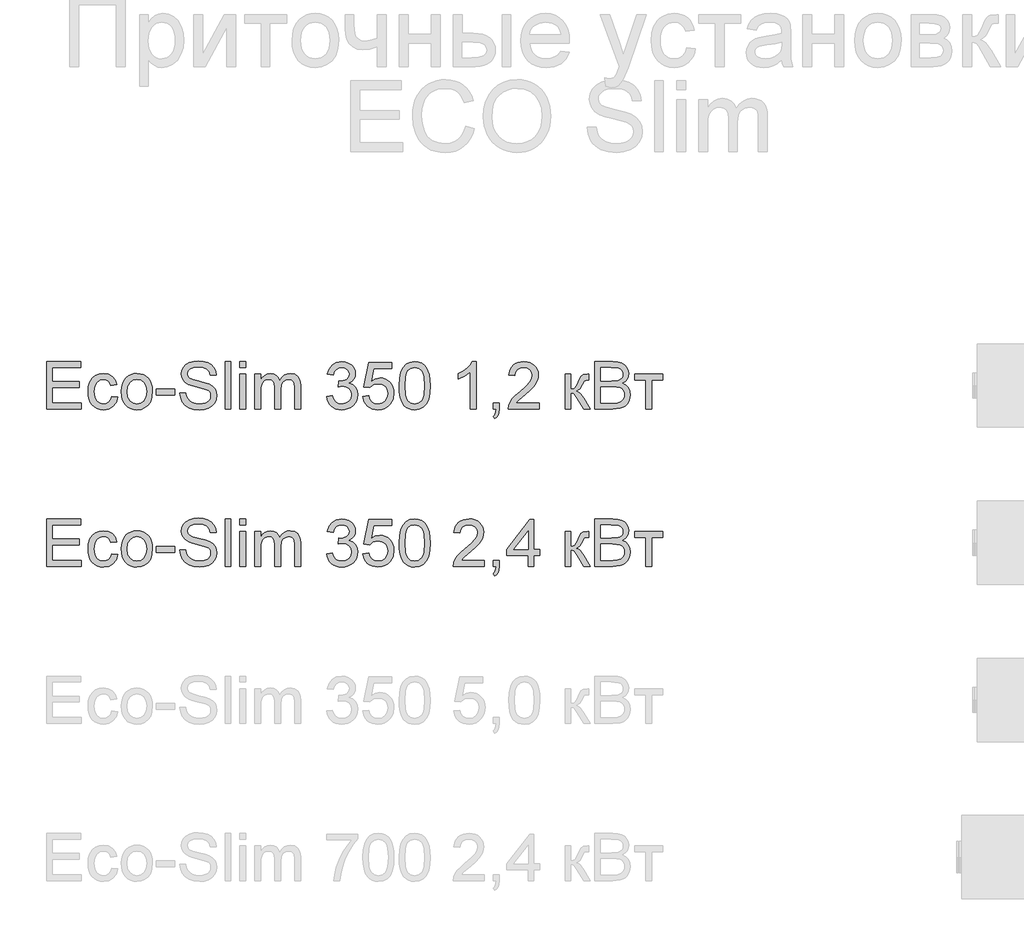
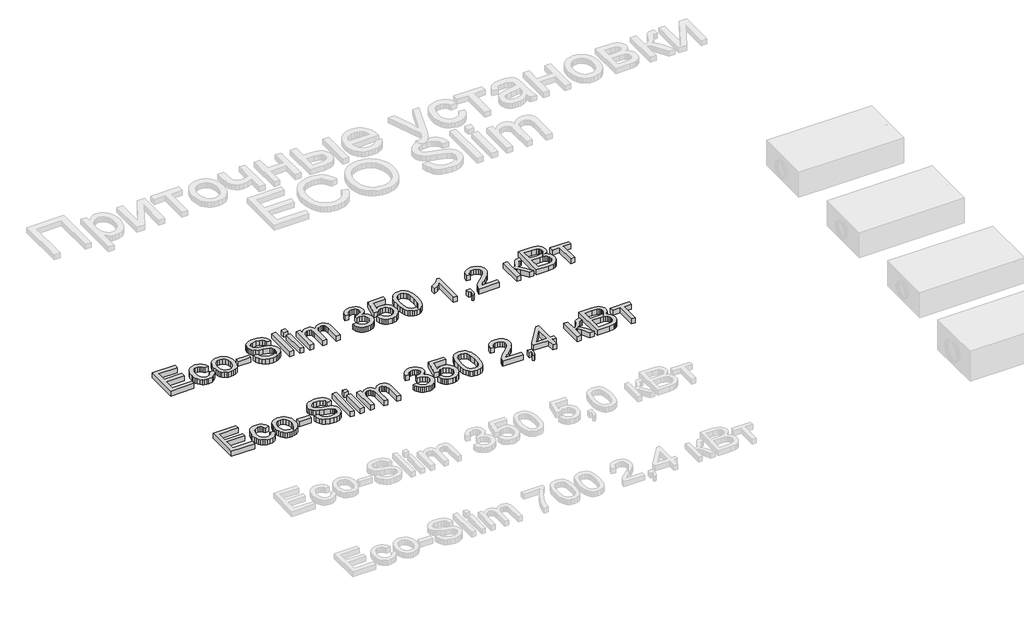
# One storey, part 41 of 74: 2 proxies.
"""IFC4 building model written with IfcOpenShell, lengths in millimetres."""

from ifc_helpers import new_model, si_unit, origin, origin_with_axes, place, context, project, spatial, polyline, outline, extrude, element, save

model = new_model("IFC4")

# Units and contexts
model_context = context("Model", 3, world=origin())
ifc_project = project(units=[si_unit("LENGTHUNIT", "METRE", prefix="MILLI")], contexts=[model_context])

# Site, building, storey
site = spatial("IfcSite", under=ifc_project)
building = spatial("IfcBuilding", under=site)
storey = spatial("IfcBuildingStorey", under=building, Elevation=0.0)

# Proxies
placement = place(None, origin())
element("IfcBuildingElementProxy", 1, Name="Generic Models", at=placement, inside=storey, context=model_context, shape_type="SweptSolid", body=[
    extrude(outline(polyline([(23043.6869869, -3906.2904473), (23043.6869869, -3604.9215169), (23260.2959057, -3604.9215169), (23260.2959057, -3642.5926332), (23081.3581032, -3642.5926332), (23081.3581032, -3732.0615344), (23250.8781266, -3732.0615344), (23250.8781266, -3769.7326507), (23081.3581032, -3769.7326507), (23081.3581032, -3868.619331), (23265.0047952, -3868.619331), (23265.0047952, -3906.2904473), (23043.6869869, -3906.2904473)])), origin_with_axes(), (0.0, 0.0, 1.0), 50.0),
    extrude(outline(polyline([(23458.0692663, -3826.2393252), (23495.7403826, -3830.9482147), (23485.2373516, -3864.4530674), (23465.5004826, -3889.7725458), (23438.3875796, -3905.6926391), (23405.7564466, -3910.9993369), (23384.6285237, -3909.1484306), (23365.6849003, -3903.5957117), (23348.9255761, -3894.3411803), (23334.3505513, -3881.3848363), (23322.5530356, -3864.9704015), (23314.1262386, -3845.3415978), (23309.0701605, -3822.4984252), (23307.3848011, -3796.4408836), (23310.2634777, -3762.9176368), (23318.8995075, -3733.8641562), (23333.4308463, -3710.402482), (23353.9954499, -3693.6546541), (23378.5975583, -3683.6114757), (23405.2414118, -3680.2637495), (23437.0724014, -3684.8622744), (23462.5206384, -3698.6578493), (23480.7767824, -3720.91471), (23491.0314931, -3750.8970926), (23453.3603768, -3755.6059821), (23446.5269687, -3739.170854), (23435.885982, -3727.3894331), (23422.0260278, -3720.2985076), (23405.5357174, -3717.9348658), (23381.1911264, -3722.588573), (23361.8681246, -3736.5496948), (23349.2589692, -3760.5723891), (23345.0559174, -3795.410814), (23349.1669987, -3830.7182885), (23361.5002426, -3854.8237562), (23380.4737565, -3868.7021045), (23404.5056478, -3873.3282206), (23424.0125906, -3870.4403469), (23440.0062603, -3861.7767259), (23451.6405284, -3847.1166284), (23458.0692663, -3826.2393252)])), origin_with_axes(), (0.0, 0.0, 1.0), 50.0),
    extrude(outline(polyline([(23519.2848303, -3795.6315432), (23521.3219768, -3766.9689372), (23527.4334165, -3742.2702598), (23537.6191492, -3721.5355108), (23551.8791751, -3704.7646904), (23566.2357699, -3694.0455287), (23582.0822869, -3686.3889847), (23599.4187259, -3681.7950583), (23618.245087, -3680.2637495), (23639.0281205, -3682.1284514), (23657.8199926, -3687.722557), (23674.6207035, -3697.0460663), (23689.4302531, -3710.0989793), (23701.5174759, -3726.4398377), (23710.1512064, -3745.627183), (23715.3314448, -3767.6610152), (23717.0581909, -3792.5413344), (23714.0047703, -3830.5987268), (23704.8445087, -3859.569434), (23689.8441203, -3881.2652746), (23669.2703197, -3897.4980677), (23644.8337582, -3907.6240196), (23618.245087, -3910.9993369), (23597.1585509, -3909.1415328), (23578.1919348, -3903.5681206), (23561.3452387, -3894.2791002), (23546.6184625, -3881.2744717), (23534.6599984, -3864.7749642), (23526.1182384, -3845.0013069), (23520.9931823, -3821.9534999), (23519.2848303, -3795.6315432)]), holes=[polyline([(23556.9559466, -3795.5579668), (23561.3153482, -3829.6514307), (23574.3935532, -3853.9408394), (23594.0752399, -3868.4813753), (23618.245087, -3873.3282206), (23642.3045695, -3868.4537841), (23661.949468, -3853.8304748), (23675.027673, -3829.2191694), (23679.3870746, -3794.3807444), (23675.0000818, -3761.2805619), (23661.8391034, -3737.322247), (23642.1666137, -3722.7817111), (23618.245087, -3717.9348658), (23594.0752399, -3722.763317), (23574.3935532, -3737.2486706), (23561.3153482, -3761.482897), (23556.9559466, -3795.5579668)])]), origin_with_axes(), (0.0, 0.0, 1.0), 50.0),
    extrude(outline(polyline([(23740.6026386, -3816.8215461), (23740.6026386, -3779.1504298), (23858.324877, -3779.1504298), (23858.324877, -3816.8215461), (23740.6026386, -3816.8215461)])), origin_with_axes(), (0.0, 0.0, 1.0), 50.0),
    extrude(outline(polyline([(23891.2871038, -3802.6948775), (23928.9582201, -3802.6948775), (23933.2808336, -3823.5997719), (23941.098326, -3840.402782), (23953.2936141, -3853.7385043), (23970.7496148, -3864.2415353), (23992.0867705, -3871.0565493), (24015.9255238, -3873.3282206), (24036.9131916, -3871.6083722), (24055.2888973, -3866.4488273), (24070.178921, -3858.281847), (24080.7095431, -3847.5396927), (24086.9727341, -3835.2064488), (24089.0604644, -3822.2661996), (24087.4969659, -3809.6570443), (24082.8064705, -3798.7585402), (24073.2783268, -3789.4603227), (24057.2018836, -3781.6520274), (24002.3506782, -3767.2678414), (23966.3442279, -3757.7488947), (23943.3056179, -3748.6898006), (23924.5528332, -3736.0162659), (23911.2630962, -3720.6571926), (23903.3444362, -3702.9436745), (23900.7048829, -3683.2068055), (23903.9698356, -3661.1430828), (23913.7646937, -3640.5692822), (23929.8319399, -3623.1316757), (23951.9140566, -3610.476535), (23978.4199544, -3602.7786043), (24007.7585435, -3600.2126274), (24039.5435479, -3602.8981659), (24067.3554267, -3610.9547816), (24090.2008986, -3624.2169275), (24107.0866822, -3642.5190568), (24117.7736541, -3664.7207352), (24122.0226912, -3689.6815286), (24084.3515749, -3689.6815286), (24077.4353934, -3667.2039387), (24063.0144192, -3650.9803427), (24040.481647, -3641.1578934), (24009.2300715, -3637.8837437), (23977.242732, -3641.1211052), (23955.298571, -3650.8331899), (23942.6066421, -3665.1254054), (23938.3759992, -3682.1031595), (23941.3742375, -3696.579316), (23950.3689522, -3708.2227811), (23971.6325316, -3718.6338416), (24011.8788218, -3729.2656313), (24053.4126991, -3739.363992), (24078.5390394, -3748.1747658), (24100.0141508, -3761.8415819), (24114.9961451, -3778.7089714), (24123.7977218, -3798.5929933), (24126.7315807, -3821.3097065), (24123.3562634, -3844.5322574), (24113.2303115, -3866.3752509), (24096.7675922, -3885.1740208), (24074.3819728, -3899.2639012), (24047.4622078, -3908.065478), (24017.3970518, -3910.9993369), (23980.4892906, -3907.8355517), (23950.1114348, -3898.3441962), (23925.9139966, -3882.4884823), (23907.547488, -3860.2316215), (23895.7568701, -3833.1187185), (23891.2871038, -3802.6948775)])), origin_with_axes(), (0.0, 0.0, 1.0), 50.0),
    extrude(outline(polyline([(24178.5293657, -3906.2904473), (24178.5293657, -3604.9215169), (24216.200482, -3604.9215169), (24216.200482, -3906.2904473), (24178.5293657, -3906.2904473)])), origin_with_axes(), (0.0, 0.0, 1.0), 50.0),
    extrude(outline(polyline([(24272.7071564, -3642.5926332), (24272.7071564, -3604.9215169), (24310.3782727, -3604.9215169), (24310.3782727, -3642.5926332), (24272.7071564, -3642.5926332)])), origin_with_axes(), (0.0, 0.0, 1.0), 50.0),
    extrude(outline(polyline([(24272.7071564, -3906.2904473), (24272.7071564, -3684.972639), (24310.3782727, -3684.972639), (24310.3782727, -3906.2904473), (24272.7071564, -3906.2904473)])), origin_with_axes(), (0.0, 0.0, 1.0), 50.0),
    extrude(outline(polyline([(24366.8849472, -3906.2904473), (24366.8849472, -3684.972639), (24404.5560635, -3684.972639), (24404.5560635, -3721.3929566), (24415.8868289, -3704.6635228), (24430.4549559, -3691.5577268), (24447.7638038, -3683.0872438), (24467.3167319, -3680.2637495), (24488.2676115, -3683.1424261), (24505.0614246, -3691.778456), (24517.6062006, -3705.6016219), (24525.8099691, -3724.0417069), (24539.5411646, -3704.8888506), (24555.2037405, -3691.2082389), (24572.7976969, -3682.9998718), (24592.3230338, -3680.2637495), (24620.6407504, -3684.8162892), (24641.582433, -3698.4739083), (24654.5226822, -3721.6044887), (24658.8360986, -3754.5759125), (24658.8360986, -3906.2904473), (24621.1649822, -3906.2904473), (24621.1649822, -3770.7627203), (24617.6701033, -3739.3088097), (24612.7588787, -3730.6359917), (24605.0149627, -3723.8209777), (24595.0545576, -3719.4063938), (24583.4938659, -3717.9348658), (24563.0856123, -3721.7056563), (24546.448149, -3733.0180276), (24535.384098, -3752.6445321), (24531.696081, -3781.3577218), (24531.696081, -3906.2904473), (24494.0249647, -3906.2904473), (24494.0249647, -3766.5688656), (24491.8452639, -3745.2684981), (24485.3061614, -3730.0749717), (24473.800652, -3720.9698923), (24456.7217304, -3717.9348658), (24442.2087857, -3719.9582168), (24428.8362752, -3726.0282697), (24417.7998153, -3735.9978718), (24410.2950226, -3749.7198702), (24405.9908033, -3768.7577634), (24404.5560635, -3794.67505), (24404.5560635, -3906.2904473), (24366.8849472, -3906.2904473)])), origin_with_axes(), (0.0, 0.0, 1.0), 50.0),
    extrude(outline(polyline([(24823.6472324, -3826.2393252), (24861.3183487, -3821.5304357), (24869.7520434, -3845.203642), (24882.1036814, -3861.1881147), (24898.980268, -3870.2931941), (24920.9888083, -3873.3282206), (24946.8141244, -3869.1527599), (24966.7533285, -3856.626378), (24979.5004397, -3837.9379726), (24983.7494767, -3815.2764417), (24979.5372278, -3793.7645421), (24966.9004813, -3776.3177384), (24947.7706176, -3764.7570467), (24924.0790171, -3760.9034828), (24897.6650898, -3765.0237612), (24901.8589446, -3727.3526449), (24907.8922093, -3727.7941033), (24930.4617697, -3725.0901706), (24950.6400971, -3716.9783726), (24964.8771303, -3703.2563742), (24969.6228081, -3683.7218403), (24966.1831114, -3667.452259), (24955.8640215, -3654.2544924), (24940.1186721, -3645.508098), (24920.4001971, -3642.5926332), (24900.644934, -3645.5356892), (24884.4949144, -3654.364857), (24872.7042965, -3669.0801369), (24866.0272382, -3689.6815286), (24828.3561219, -3684.972639), (24839.4477641, -3651.1458896), (24859.1846331, -3625.8907906), (24886.1871716, -3610.1638353), (24919.0758219, -3604.9215169), (24942.7582254, -3607.5058879), (24964.5092483, -3615.259001), (24982.8481658, -3627.4910773), (24996.2942527, -3643.5123382), (25004.5440065, -3661.9708173), (25007.2939244, -3681.5145483), (25004.6819622, -3699.724707), (24996.8460757, -3716.2426086), (24983.8966295, -3730.3140949), (24965.9439881, -3741.1850079), (24989.525224, -3750.7131516), (25006.9996188, -3766.9367476), (25017.8153494, -3788.9728791), (25021.420593, -3815.9386293), (25019.6179712, -3835.050099), (25014.2101059, -3852.6532524), (25005.196997, -3868.7480897), (24992.5786446, -3883.3346108), (24977.2057757, -3895.4379285), (24959.9291175, -3904.0831554), (24940.74867, -3909.2702915), (24919.6644331, -3910.9993369), (24900.6081458, -3909.5232104), (24883.2441156, -3905.0948309), (24867.5723426, -3897.7141983), (24853.5928268, -3887.3813128), (24841.8711867, -3874.7031795), (24832.973041, -3860.2868038), (24826.8983895, -3844.1321857), (24823.6472324, -3826.2393252)])), origin_with_axes(), (0.0, 0.0, 1.0), 50.0),
    extrude(outline(polyline([(25054.3828198, -3826.2393252), (25092.0539361, -3821.5304357), (25098.9701176, -3844.1459813), (25111.036647, -3860.3419861), (25128.1983421, -3870.081662), (25150.4000205, -3873.3282206), (25177.402559, -3868.8124691), (25197.6360687, -3855.2652146), (25210.2728152, -3834.2499556), (25214.4850641, -3807.3301906), (25210.5395297, -3781.9831212), (25198.7029265, -3762.59574), (25178.883284, -3750.2900873), (25150.9886317, -3746.188203), (25132.7140936, -3747.8252779), (25117.9160403, -3752.7365026), (25096.7628256, -3769.7326507), (25059.0917093, -3765.0237612), (25092.0539361, -3609.6304064), (25238.0295118, -3609.6304064), (25238.0295118, -3647.3015227), (25122.5145653, -3647.3015227), (25106.4013339, -3730.2957008), (25133.3119018, -3713.9617403), (25161.5100568, -3708.5170867), (25179.855872, -3710.2047454), (25196.7071667, -3715.2677213), (25212.0639407, -3723.7060146), (25225.9261941, -3735.5196252), (25237.4018131, -3749.9865846), (25245.5986838, -3766.3849246), (25250.5168062, -3784.714645), (25252.1561804, -3804.9757459), (25246.2516744, -3842.6468622), (25238.8710418, -3859.4406753), (25228.5381563, -3874.873325), (25212.8847774, -3890.6784552), (25194.6194363, -3901.9678339), (25173.7421331, -3908.7414611), (25150.2528677, -3910.9993369), (25113.253136, -3905.1959984), (25097.5744653, -3897.9418253), (25083.7765912, -3887.785983), (25072.2963737, -3875.2343092), (25063.5706726, -3860.7926416), (25054.3828198, -3826.2393252)])), origin_with_axes(), (0.0, 0.0, 1.0), 50.0),
    extrude(outline(polyline([(25285.1184071, -3758.0340033), (25287.8867192, -3709.7954767), (25296.1916552, -3671.324217), (25309.9504418, -3642.0316132), (25329.0803056, -3621.3290539), (25353.7192022, -3609.0234011), (25384.0050874, -3604.9215169), (25407.2184413, -3607.3495381), (25428.0037741, -3614.6336016), (25445.3861983, -3626.4885989), (25458.3908269, -3642.6294214), (25468.2132761, -3662.9181134), (25476.0491626, -3687.2167192), (25481.1811165, -3718.0728216), (25482.8917678, -3758.0340033), (25480.1510469, -3805.9966184), (25471.9288843, -3844.3759076), (25458.2528711, -3873.6961026), (25439.1505985, -3894.4814353), (25414.4565196, -3906.8698615), (25384.0050874, -3910.9993369), (25363.2565429, -3909.2059122), (25344.8624432, -3903.825638), (25328.8227882, -3894.8585143), (25315.1375779, -3882.3045413), (25302.0041907, -3859.6108207), (25292.6231998, -3831.3344908), (25286.9946053, -3797.4755517), (25285.1184071, -3758.0340033)]), holes=[polyline([(25322.7895234, -3757.9604269), (25327.2041074, -3817.2170193), (25332.7223373, -3837.4850179), (25340.4478592, -3851.5128183), (25360.1663342, -3867.87437), (25384.0050874, -3873.3282206), (25407.8438407, -3867.8559759), (25427.5623157, -3851.4392419), (25435.2878376, -3837.3884489), (25440.8060675, -3817.1250488), (25445.2206514, -3757.9604269), (25440.9532203, -3700.0374067), (25435.6189314, -3679.8360867), (25428.1509269, -3665.4748933), (25408.4692401, -3648.3131982), (25383.5636291, -3642.5926332), (25359.9823932, -3647.6326165), (25341.0364704, -3662.7525665), (25333.0534311, -3678.3875513), (25327.3512602, -3699.4671897), (25322.7895234, -3757.9604269)])]), origin_with_axes(), (0.0, 0.0, 1.0), 50.0),
    extrude(outline(polyline([(25774.8429191, -3906.2904473), (25737.1718028, -3906.2904473), (25737.1718028, -3671.4345816), (25701.4872493, -3696.8552275), (25661.8295702, -3715.8747266), (25661.8295702, -3680.2637495), (25691.4164797, -3664.1689122), (25717.0486577, -3645.0206544), (25737.2545763, -3624.6583859), (25750.5627074, -3604.9215169), (25774.8429191, -3604.9215169), (25774.8429191, -3906.2904473)])), origin_with_axes(), (0.0, 0.0, 1.0), 50.0),
    extrude(outline(polyline([(25883.1473785, -3906.2904473), (25883.1473785, -3868.619331), (25920.8184948, -3868.619331), (25920.8184948, -3906.2904473), (25919.1262376, -3927.8391352), (25914.0494661, -3944.8076922), (25905.2938746, -3957.8215178), (25892.5651576, -3967.5060113), (25883.1473785, -3953.3793427), (25891.3143588, -3946.5551317), (25896.9797415, -3937.1189585), (25901.9093603, -3906.2904473), (25883.1473785, -3906.2904473)])), origin_with_axes(), (0.0, 0.0, 1.0), 50.0),
    extrude(outline(polyline([(26175.0985299, -3868.619331), (26175.0985299, -3906.2904473), (25977.3251693, -3906.2904473), (25981.3718712, -3880.3179785), (25990.6608916, -3860.0200894), (26004.2541313, -3840.3292056), (26023.917424, -3819.7186168), (26051.4166031, -3796.6616128), (26092.0675636, -3760.553995), (26116.4581398, -3733.9009444), (26128.653428, -3712.2694831), (26132.718524, -3691.226633), (26128.8833542, -3672.3634837), (26117.3778448, -3656.6825136), (26099.6919179, -3646.1151033), (26077.3154956, -3642.5926332), (26053.8170331, -3646.0323299), (26035.5608891, -3656.3514198), (26023.7794682, -3672.7405627), (26019.7051751, -3694.3904181), (25982.0340588, -3689.6815286), (25991.1667293, -3653.242817), (25999.7130879, -3638.7068796), (26010.9127954, -3626.6265546), (26024.5083344, -3617.1306006), (26040.2421875, -3610.3477763), (26078.1248359, -3604.9215169), (26098.3146597, -3606.4298331), (26116.2833959, -3610.9547816), (26132.0310446, -3618.4963625), (26145.5576057, -3629.0545758), (26156.4216208, -3641.8476722), (26164.1816317, -3656.0939024), (26168.8376382, -3671.7932666), (26170.3896403, -3688.9457646), (26168.7157773, -3706.9627853), (26163.694188, -3724.6671063), (26154.7822467, -3742.67493), (26141.4373273, -3761.6024586), (26120.1645509, -3784.1996102), (26087.4690386, -3813.2163026), (26044.1325396, -3849.4526791), (26027.1363914, -3868.619331), (26175.0985299, -3868.619331)])), origin_with_axes(), (0.0, 0.0, 1.0), 50.0),
    extrude(outline(polyline([(26339.9096637, -3684.972639), (26377.58078, -3684.972639), (26377.58078, -3779.1504298), (26392.9030651, -3777.4581726), (26402.8174849, -3772.3814011), (26411.5914705, -3759.1376493), (26423.492453, -3732.9444512), (26440.6725422, -3698.9153667), (26455.8292804, -3687.8421186), (26483.3836418, -3684.972639), (26490.5941289, -3684.972639), (26490.5941289, -3722.8644845), (26480.4405859, -3722.6437553), (26462.0464861, -3726.6168809), (26449.0970399, -3751.4121274), (26433.9035135, -3778.2307248), (26412.603146, -3791.364112), (26424.5409167, -3796.6662113), (26436.3683228, -3806.0242096), (26459.6920413, -3836.907903), (26500.011908, -3906.2904473), (26457.1904438, -3906.2904473), (26417.6799175, -3838.379431), (26397.8142898, -3809.6478472), (26388.5252694, -3804.4331199), (26377.58078, -3802.6948775), (26377.58078, -3906.2904473), (26339.9096637, -3906.2904473), (26339.9096637, -3684.972639)])), origin_with_axes(), (0.0, 0.0, 1.0), 50.0),
    extrude(outline(polyline([(26528.2652452, -3906.2904473), (26528.2652452, -3604.9215169), (26643.2651569, -3604.9215169), (26674.8938115, -3607.1380059), (26699.5878904, -3613.787473), (26718.5154191, -3625.035465), (26732.8444228, -3641.0475288), (26741.8667287, -3659.883087), (26744.874164, -3679.6015619), (26742.3449753, -3697.7473413), (26734.7574091, -3714.8078689), (26722.0562833, -3729.7346808), (26704.1864153, -3741.4793135), (26725.5327681, -3752.626138), (26741.3057087, -3769.5854979), (26751.0453845, -3791.2353533), (26754.2919431, -3816.4536641), (26752.0754541, -3837.4689231), (26745.425987, -3856.9574718), (26735.5023702, -3873.5305557), (26723.4634319, -3885.7994202), (26708.7205609, -3894.6837704), (26690.6851461, -3901.1033112), (26642.3822401, -3906.2904473), (26528.2652452, -3906.2904473)]), holes=[polyline([(26565.9363616, -3868.619331), (26643.1915805, -3868.619331), (26671.1506122, -3867.1478031), (26694.8054245, -3858.9440346), (26710.4771975, -3842.2054038), (26715.0849194, -3830.3779976), (26716.6208268, -3816.8215461), (26714.818205, -3801.0761967), (26709.4103397, -3787.5381393), (26699.9649694, -3776.9523349), (26686.049833, -3770.0637445), (26666.3405551, -3766.283757), (26639.5127606, -3765.0237612), (26565.9363616, -3765.0237612), (26565.9363616, -3868.619331)]), polyline([(26565.9363616, -3727.3526449), (26634.7302946, -3727.3526449), (26674.9030085, -3724.1152833), (26688.9652978, -3718.5326741), (26699.0728556, -3710.1725557), (26705.1704997, -3699.163687), (26707.2030477, -3685.6348266), (26705.3084554, -3672.5014394), (26699.6246786, -3661.0603094), (26690.4092346, -3652.1299739), (26677.9196409, -3646.5289705), (26629.5063703, -3642.5926332), (26565.9363616, -3642.5926332), (26565.9363616, -3727.3526449)])]), origin_with_axes(), (0.0, 0.0, 1.0), 50.0),
    extrude(outline(polyline([(26782.5452803, -3684.972639), (26961.4830828, -3684.972639), (26961.4830828, -3722.6437553), (26890.8497397, -3722.6437553), (26890.8497397, -3906.2904473), (26853.1786234, -3906.2904473), (26853.1786234, -3722.6437553), (26782.5452803, -3722.6437553), (26782.5452803, -3684.972639)])), origin_with_axes(), (0.0, 0.0, 1.0), 50.0),
])
element("IfcBuildingElementProxy", 2, Name="Generic Models", at=placement, inside=storey, context=model_context, shape_type="SweptSolid", body=[
    extrude(outline(polyline([(23043.6869869, -4906.2904473), (23043.6869869, -4604.9215169), (23260.2959057, -4604.9215169), (23260.2959057, -4642.5926332), (23081.3581032, -4642.5926332), (23081.3581032, -4732.0615344), (23250.8781266, -4732.0615344), (23250.8781266, -4769.7326507), (23081.3581032, -4769.7326507), (23081.3581032, -4868.619331), (23265.0047952, -4868.619331), (23265.0047952, -4906.2904473), (23043.6869869, -4906.2904473)])), origin_with_axes(), (0.0, 0.0, 1.0), 50.0),
    extrude(outline(polyline([(23458.0692663, -4826.2393252), (23495.7403826, -4830.9482147), (23485.2373516, -4864.4530674), (23465.5004826, -4889.7725458), (23438.3875796, -4905.6926391), (23405.7564466, -4910.9993369), (23384.6285237, -4909.1484306), (23365.6849003, -4903.5957117), (23348.9255761, -4894.3411803), (23334.3505513, -4881.3848363), (23322.5530356, -4864.9704015), (23314.1262386, -4845.3415978), (23309.0701605, -4822.4984252), (23307.3848011, -4796.4408836), (23310.2634777, -4762.9176368), (23318.8995075, -4733.8641562), (23333.4308463, -4710.402482), (23353.9954499, -4693.6546541), (23378.5975583, -4683.6114757), (23405.2414118, -4680.2637495), (23437.0724014, -4684.8622744), (23462.5206384, -4698.6578493), (23480.7767824, -4720.91471), (23491.0314931, -4750.8970926), (23453.3603768, -4755.6059821), (23446.5269687, -4739.170854), (23435.885982, -4727.3894331), (23422.0260278, -4720.2985076), (23405.5357174, -4717.9348658), (23381.1911264, -4722.588573), (23361.8681246, -4736.5496948), (23349.2589692, -4760.5723891), (23345.0559174, -4795.410814), (23349.1669987, -4830.7182885), (23361.5002426, -4854.8237562), (23380.4737565, -4868.7021045), (23404.5056478, -4873.3282206), (23424.0125906, -4870.4403469), (23440.0062603, -4861.7767259), (23451.6405284, -4847.1166284), (23458.0692663, -4826.2393252)])), origin_with_axes(), (0.0, 0.0, 1.0), 50.0),
    extrude(outline(polyline([(23519.2848303, -4795.6315432), (23521.3219768, -4766.9689372), (23527.4334165, -4742.2702598), (23537.6191492, -4721.5355108), (23551.8791751, -4704.7646904), (23566.2357699, -4694.0455287), (23582.0822869, -4686.3889847), (23599.4187259, -4681.7950583), (23618.245087, -4680.2637495), (23639.0281205, -4682.1284514), (23657.8199926, -4687.722557), (23674.6207035, -4697.0460663), (23689.4302531, -4710.0989793), (23701.5174759, -4726.4398377), (23710.1512064, -4745.627183), (23715.3314448, -4767.6610152), (23717.0581909, -4792.5413344), (23714.0047703, -4830.5987268), (23704.8445087, -4859.569434), (23689.8441203, -4881.2652746), (23669.2703197, -4897.4980677), (23644.8337582, -4907.6240196), (23618.245087, -4910.9993369), (23597.1585509, -4909.1415328), (23578.1919348, -4903.5681206), (23561.3452387, -4894.2791002), (23546.6184625, -4881.2744717), (23534.6599984, -4864.7749642), (23526.1182384, -4845.0013069), (23520.9931823, -4821.9534999), (23519.2848303, -4795.6315432)]), holes=[polyline([(23556.9559466, -4795.5579668), (23561.3153482, -4829.6514307), (23574.3935532, -4853.9408394), (23594.0752399, -4868.4813753), (23618.245087, -4873.3282206), (23642.3045695, -4868.4537841), (23661.949468, -4853.8304748), (23675.027673, -4829.2191694), (23679.3870746, -4794.3807444), (23675.0000818, -4761.2805619), (23661.8391034, -4737.322247), (23642.1666137, -4722.7817111), (23618.245087, -4717.9348658), (23594.0752399, -4722.763317), (23574.3935532, -4737.2486706), (23561.3153482, -4761.482897), (23556.9559466, -4795.5579668)])]), origin_with_axes(), (0.0, 0.0, 1.0), 50.0),
    extrude(outline(polyline([(23740.6026386, -4816.8215461), (23740.6026386, -4779.1504298), (23858.324877, -4779.1504298), (23858.324877, -4816.8215461), (23740.6026386, -4816.8215461)])), origin_with_axes(), (0.0, 0.0, 1.0), 50.0),
    extrude(outline(polyline([(23891.2871038, -4802.6948775), (23928.9582201, -4802.6948775), (23933.2808336, -4823.5997719), (23941.098326, -4840.402782), (23953.2936141, -4853.7385043), (23970.7496148, -4864.2415353), (23992.0867705, -4871.0565493), (24015.9255238, -4873.3282206), (24036.9131916, -4871.6083722), (24055.2888973, -4866.4488273), (24070.178921, -4858.281847), (24080.7095431, -4847.5396927), (24086.9727341, -4835.2064488), (24089.0604644, -4822.2661996), (24087.4969659, -4809.6570443), (24082.8064705, -4798.7585402), (24073.2783268, -4789.4603227), (24057.2018836, -4781.6520274), (24002.3506782, -4767.2678414), (23966.3442279, -4757.7488947), (23943.3056179, -4748.6898006), (23924.5528332, -4736.0162659), (23911.2630962, -4720.6571926), (23903.3444362, -4702.9436745), (23900.7048829, -4683.2068055), (23903.9698356, -4661.1430828), (23913.7646937, -4640.5692822), (23929.8319399, -4623.1316757), (23951.9140566, -4610.476535), (23978.4199544, -4602.7786043), (24007.7585435, -4600.2126274), (24039.5435479, -4602.8981659), (24067.3554267, -4610.9547816), (24090.2008986, -4624.2169275), (24107.0866822, -4642.5190568), (24117.7736541, -4664.7207352), (24122.0226912, -4689.6815286), (24084.3515749, -4689.6815286), (24077.4353934, -4667.2039387), (24063.0144192, -4650.9803427), (24040.481647, -4641.1578934), (24009.2300715, -4637.8837437), (23977.242732, -4641.1211052), (23955.298571, -4650.8331899), (23942.6066421, -4665.1254054), (23938.3759992, -4682.1031595), (23941.3742375, -4696.579316), (23950.3689522, -4708.2227811), (23971.6325316, -4718.6338416), (24011.8788218, -4729.2656313), (24053.4126991, -4739.363992), (24078.5390394, -4748.1747658), (24100.0141508, -4761.8415819), (24114.9961451, -4778.7089714), (24123.7977218, -4798.5929933), (24126.7315807, -4821.3097065), (24123.3562634, -4844.5322574), (24113.2303115, -4866.3752509), (24096.7675922, -4885.1740208), (24074.3819728, -4899.2639012), (24047.4622078, -4908.065478), (24017.3970518, -4910.9993369), (23980.4892906, -4907.8355517), (23950.1114348, -4898.3441962), (23925.9139966, -4882.4884823), (23907.547488, -4860.2316215), (23895.7568701, -4833.1187185), (23891.2871038, -4802.6948775)])), origin_with_axes(), (0.0, 0.0, 1.0), 50.0),
    extrude(outline(polyline([(24178.5293657, -4906.2904473), (24178.5293657, -4604.9215169), (24216.200482, -4604.9215169), (24216.200482, -4906.2904473), (24178.5293657, -4906.2904473)])), origin_with_axes(), (0.0, 0.0, 1.0), 50.0),
    extrude(outline(polyline([(24272.7071564, -4642.5926332), (24272.7071564, -4604.9215169), (24310.3782727, -4604.9215169), (24310.3782727, -4642.5926332), (24272.7071564, -4642.5926332)])), origin_with_axes(), (0.0, 0.0, 1.0), 50.0),
    extrude(outline(polyline([(24272.7071564, -4906.2904473), (24272.7071564, -4684.972639), (24310.3782727, -4684.972639), (24310.3782727, -4906.2904473), (24272.7071564, -4906.2904473)])), origin_with_axes(), (0.0, 0.0, 1.0), 50.0),
    extrude(outline(polyline([(24366.8849472, -4906.2904473), (24366.8849472, -4684.972639), (24404.5560635, -4684.972639), (24404.5560635, -4721.3929566), (24415.8868289, -4704.6635228), (24430.4549559, -4691.5577268), (24447.7638038, -4683.0872438), (24467.3167319, -4680.2637495), (24488.2676115, -4683.1424261), (24505.0614246, -4691.778456), (24517.6062006, -4705.6016219), (24525.8099691, -4724.0417069), (24539.5411646, -4704.8888506), (24555.2037405, -4691.2082389), (24572.7976969, -4682.9998718), (24592.3230338, -4680.2637495), (24620.6407504, -4684.8162892), (24641.582433, -4698.4739083), (24654.5226822, -4721.6044887), (24658.8360986, -4754.5759125), (24658.8360986, -4906.2904473), (24621.1649822, -4906.2904473), (24621.1649822, -4770.7627203), (24617.6701033, -4739.3088097), (24612.7588787, -4730.6359917), (24605.0149627, -4723.8209777), (24595.0545576, -4719.4063938), (24583.4938659, -4717.9348658), (24563.0856123, -4721.7056563), (24546.448149, -4733.0180276), (24535.384098, -4752.6445321), (24531.696081, -4781.3577218), (24531.696081, -4906.2904473), (24494.0249647, -4906.2904473), (24494.0249647, -4766.5688656), (24491.8452639, -4745.2684981), (24485.3061614, -4730.0749717), (24473.800652, -4720.9698923), (24456.7217304, -4717.9348658), (24442.2087857, -4719.9582168), (24428.8362752, -4726.0282697), (24417.7998153, -4735.9978718), (24410.2950226, -4749.7198702), (24405.9908033, -4768.7577634), (24404.5560635, -4794.67505), (24404.5560635, -4906.2904473), (24366.8849472, -4906.2904473)])), origin_with_axes(), (0.0, 0.0, 1.0), 50.0),
    extrude(outline(polyline([(24823.6472324, -4826.2393252), (24861.3183487, -4821.5304357), (24869.7520434, -4845.203642), (24882.1036814, -4861.1881147), (24898.980268, -4870.2931941), (24920.9888083, -4873.3282206), (24946.8141244, -4869.1527599), (24966.7533285, -4856.626378), (24979.5004397, -4837.9379726), (24983.7494767, -4815.2764417), (24979.5372278, -4793.7645421), (24966.9004813, -4776.3177384), (24947.7706176, -4764.7570467), (24924.0790171, -4760.9034828), (24897.6650898, -4765.0237612), (24901.8589446, -4727.3526449), (24907.8922093, -4727.7941033), (24930.4617697, -4725.0901706), (24950.6400971, -4716.9783726), (24964.8771303, -4703.2563742), (24969.6228081, -4683.7218403), (24966.1831114, -4667.452259), (24955.8640215, -4654.2544924), (24940.1186721, -4645.508098), (24920.4001971, -4642.5926332), (24900.644934, -4645.5356892), (24884.4949144, -4654.364857), (24872.7042965, -4669.0801369), (24866.0272382, -4689.6815286), (24828.3561219, -4684.972639), (24839.4477641, -4651.1458896), (24859.1846331, -4625.8907906), (24886.1871716, -4610.1638353), (24919.0758219, -4604.9215169), (24942.7582254, -4607.5058879), (24964.5092483, -4615.259001), (24982.8481658, -4627.4910773), (24996.2942527, -4643.5123382), (25004.5440065, -4661.9708173), (25007.2939244, -4681.5145483), (25004.6819622, -4699.724707), (24996.8460757, -4716.2426086), (24983.8966295, -4730.3140949), (24965.9439881, -4741.1850079), (24989.525224, -4750.7131516), (25006.9996188, -4766.9367476), (25017.8153494, -4788.9728791), (25021.420593, -4815.9386293), (25019.6179712, -4835.050099), (25014.2101059, -4852.6532524), (25005.196997, -4868.7480897), (24992.5786446, -4883.3346108), (24977.2057757, -4895.4379285), (24959.9291175, -4904.0831554), (24940.74867, -4909.2702915), (24919.6644331, -4910.9993369), (24900.6081458, -4909.5232104), (24883.2441156, -4905.0948309), (24867.5723426, -4897.7141983), (24853.5928268, -4887.3813128), (24841.8711867, -4874.7031795), (24832.973041, -4860.2868038), (24826.8983895, -4844.1321857), (24823.6472324, -4826.2393252)])), origin_with_axes(), (0.0, 0.0, 1.0), 50.0),
    extrude(outline(polyline([(25054.3828198, -4826.2393252), (25092.0539361, -4821.5304357), (25098.9701176, -4844.1459813), (25111.036647, -4860.3419861), (25128.1983421, -4870.081662), (25150.4000205, -4873.3282206), (25177.402559, -4868.8124691), (25197.6360687, -4855.2652146), (25210.2728152, -4834.2499556), (25214.4850641, -4807.3301906), (25210.5395297, -4781.9831212), (25198.7029265, -4762.59574), (25178.883284, -4750.2900873), (25150.9886317, -4746.188203), (25132.7140936, -4747.8252779), (25117.9160403, -4752.7365026), (25096.7628256, -4769.7326507), (25059.0917093, -4765.0237612), (25092.0539361, -4609.6304064), (25238.0295118, -4609.6304064), (25238.0295118, -4647.3015227), (25122.5145653, -4647.3015227), (25106.4013339, -4730.2957008), (25133.3119018, -4713.9617403), (25161.5100568, -4708.5170867), (25179.855872, -4710.2047454), (25196.7071667, -4715.2677213), (25212.0639407, -4723.7060146), (25225.9261941, -4735.5196252), (25237.4018131, -4749.9865846), (25245.5986838, -4766.3849246), (25250.5168062, -4784.714645), (25252.1561804, -4804.9757459), (25246.2516744, -4842.6468622), (25238.8710418, -4859.4406753), (25228.5381563, -4874.873325), (25212.8847774, -4890.6784552), (25194.6194363, -4901.9678339), (25173.7421331, -4908.7414611), (25150.2528677, -4910.9993369), (25113.253136, -4905.1959984), (25097.5744653, -4897.9418253), (25083.7765912, -4887.785983), (25072.2963737, -4875.2343092), (25063.5706726, -4860.7926416), (25054.3828198, -4826.2393252)])), origin_with_axes(), (0.0, 0.0, 1.0), 50.0),
    extrude(outline(polyline([(25285.1184071, -4758.0340033), (25287.8867192, -4709.7954767), (25296.1916552, -4671.324217), (25309.9504418, -4642.0316132), (25329.0803056, -4621.3290539), (25353.7192022, -4609.0234011), (25384.0050874, -4604.9215169), (25407.2184413, -4607.3495381), (25428.0037741, -4614.6336016), (25445.3861983, -4626.4885989), (25458.3908269, -4642.6294214), (25468.2132761, -4662.9181134), (25476.0491626, -4687.2167192), (25481.1811165, -4718.0728216), (25482.8917678, -4758.0340033), (25480.1510469, -4805.9966184), (25471.9288843, -4844.3759076), (25458.2528711, -4873.6961026), (25439.1505985, -4894.4814353), (25414.4565196, -4906.8698615), (25384.0050874, -4910.9993369), (25363.2565429, -4909.2059122), (25344.8624432, -4903.825638), (25328.8227882, -4894.8585143), (25315.1375779, -4882.3045413), (25302.0041907, -4859.6108207), (25292.6231998, -4831.3344908), (25286.9946053, -4797.4755517), (25285.1184071, -4758.0340033)]), holes=[polyline([(25322.7895234, -4757.9604269), (25327.2041074, -4817.2170193), (25332.7223373, -4837.4850179), (25340.4478592, -4851.5128183), (25360.1663342, -4867.87437), (25384.0050874, -4873.3282206), (25407.8438407, -4867.8559759), (25427.5623157, -4851.4392419), (25435.2878376, -4837.3884489), (25440.8060675, -4817.1250488), (25445.2206514, -4757.9604269), (25440.9532203, -4700.0374067), (25435.6189314, -4679.8360867), (25428.1509269, -4665.4748933), (25408.4692401, -4648.3131982), (25383.5636291, -4642.5926332), (25359.9823932, -4647.6326165), (25341.0364704, -4662.7525665), (25333.0534311, -4678.3875513), (25327.3512602, -4699.4671897), (25322.7895234, -4757.9604269)])]), origin_with_axes(), (0.0, 0.0, 1.0), 50.0),
    extrude(outline(polyline([(25826.640704, -4868.619331), (25826.640704, -4906.2904473), (25628.8673434, -4906.2904473), (25632.9140454, -4880.3179785), (25642.2030658, -4860.0200894), (25655.7963055, -4840.3292056), (25675.4595981, -4819.7186168), (25702.9587773, -4796.6616128), (25743.6097377, -4760.553995), (25768.000314, -4733.9009444), (25780.1956022, -4712.2694831), (25784.2606982, -4691.226633), (25780.4255284, -4672.3634837), (25768.920019, -4656.6825136), (25751.2340921, -4646.1151033), (25728.8576697, -4642.5926332), (25705.3592073, -4646.0323299), (25687.1030633, -4656.3514198), (25675.3216424, -4672.7405627), (25671.2473493, -4694.3904181), (25633.576233, -4689.6815286), (25642.7089035, -4653.242817), (25651.2552621, -4638.7068796), (25662.4549696, -4626.6265546), (25676.0505086, -4617.1306006), (25691.7843617, -4610.3477763), (25729.6670101, -4604.9215169), (25749.8568339, -4606.4298331), (25767.8255701, -4610.9547816), (25783.5732187, -4618.4963625), (25797.0997798, -4629.0545758), (25807.963795, -4641.8476722), (25815.7238058, -4656.0939024), (25820.3798123, -4671.7932666), (25821.9318145, -4688.9457646), (25820.2579514, -4706.9627853), (25815.2363622, -4724.6671063), (25806.3244209, -4742.67493), (25792.9795015, -4761.6024586), (25771.7067251, -4784.1996102), (25739.0112128, -4813.2163026), (25695.6747138, -4849.4526791), (25678.6785656, -4868.619331), (25826.640704, -4868.619331)])), origin_with_axes(), (0.0, 0.0, 1.0), 50.0),
    extrude(outline(polyline([(25883.1473785, -4906.2904473), (25883.1473785, -4868.619331), (25920.8184948, -4868.619331), (25920.8184948, -4906.2904473), (25919.1262376, -4927.8391352), (25914.0494661, -4944.8076922), (25905.2938746, -4957.8215178), (25892.5651576, -4967.5060113), (25883.1473785, -4953.3793427), (25891.3143588, -4946.5551317), (25896.9797415, -4937.1189585), (25901.9093603, -4906.2904473), (25883.1473785, -4906.2904473)])), origin_with_axes(), (0.0, 0.0, 1.0), 50.0),
    extrude(outline(polyline([(26104.4651868, -4906.2904473), (26104.4651868, -4835.6571043), (25967.9073902, -4835.6571043), (25967.9073902, -4797.985988), (26113.8829659, -4609.6304064), (26142.1363031, -4609.6304064), (26142.1363031, -4797.985988), (26179.8074194, -4797.985988), (26179.8074194, -4835.6571043), (26142.1363031, -4835.6571043), (26142.1363031, -4906.2904473), (26104.4651868, -4906.2904473)]), holes=[polyline([(26104.4651868, -4797.985988), (26104.4651868, -4681.5881247), (26014.2605216, -4797.985988), (26104.4651868, -4797.985988)])]), origin_with_axes(), (0.0, 0.0, 1.0), 50.0),
    extrude(outline(polyline([(26339.9096637, -4684.972639), (26377.58078, -4684.972639), (26377.58078, -4779.1504298), (26392.9030651, -4777.4581726), (26402.8174849, -4772.3814011), (26411.5914705, -4759.1376493), (26423.492453, -4732.9444512), (26440.6725422, -4698.9153667), (26455.8292804, -4687.8421186), (26483.3836418, -4684.972639), (26490.5941289, -4684.972639), (26490.5941289, -4722.8644845), (26480.4405859, -4722.6437553), (26462.0464861, -4726.6168809), (26449.0970399, -4751.4121274), (26433.9035135, -4778.2307248), (26412.603146, -4791.364112), (26424.5409167, -4796.6662113), (26436.3683228, -4806.0242096), (26459.6920413, -4836.907903), (26500.011908, -4906.2904473), (26457.1904438, -4906.2904473), (26417.6799175, -4838.379431), (26397.8142898, -4809.6478472), (26388.5252694, -4804.4331199), (26377.58078, -4802.6948775), (26377.58078, -4906.2904473), (26339.9096637, -4906.2904473), (26339.9096637, -4684.972639)])), origin_with_axes(), (0.0, 0.0, 1.0), 50.0),
    extrude(outline(polyline([(26528.2652452, -4906.2904473), (26528.2652452, -4604.9215169), (26643.2651569, -4604.9215169), (26674.8938115, -4607.1380059), (26699.5878904, -4613.787473), (26718.5154191, -4625.035465), (26732.8444228, -4641.0475288), (26741.8667287, -4659.883087), (26744.874164, -4679.6015619), (26742.3449753, -4697.7473413), (26734.7574091, -4714.8078689), (26722.0562833, -4729.7346808), (26704.1864153, -4741.4793135), (26725.5327681, -4752.626138), (26741.3057087, -4769.5854979), (26751.0453845, -4791.2353533), (26754.2919431, -4816.4536641), (26752.0754541, -4837.4689231), (26745.425987, -4856.9574718), (26735.5023702, -4873.5305557), (26723.4634319, -4885.7994202), (26708.7205609, -4894.6837704), (26690.6851461, -4901.1033112), (26642.3822401, -4906.2904473), (26528.2652452, -4906.2904473)]), holes=[polyline([(26565.9363616, -4868.619331), (26643.1915805, -4868.619331), (26671.1506122, -4867.1478031), (26694.8054245, -4858.9440346), (26710.4771975, -4842.2054038), (26715.0849194, -4830.3779976), (26716.6208268, -4816.8215461), (26714.818205, -4801.0761967), (26709.4103397, -4787.5381393), (26699.9649694, -4776.9523349), (26686.049833, -4770.0637445), (26666.3405551, -4766.283757), (26639.5127606, -4765.0237612), (26565.9363616, -4765.0237612), (26565.9363616, -4868.619331)]), polyline([(26565.9363616, -4727.3526449), (26634.7302946, -4727.3526449), (26674.9030085, -4724.1152833), (26688.9652978, -4718.5326741), (26699.0728556, -4710.1725557), (26705.1704997, -4699.163687), (26707.2030477, -4685.6348266), (26705.3084554, -4672.5014394), (26699.6246786, -4661.0603094), (26690.4092346, -4652.1299739), (26677.9196409, -4646.5289705), (26629.5063703, -4642.5926332), (26565.9363616, -4642.5926332), (26565.9363616, -4727.3526449)])]), origin_with_axes(), (0.0, 0.0, 1.0), 50.0),
    extrude(outline(polyline([(26782.5452803, -4684.972639), (26961.4830828, -4684.972639), (26961.4830828, -4722.6437553), (26890.8497397, -4722.6437553), (26890.8497397, -4906.2904473), (26853.1786234, -4906.2904473), (26853.1786234, -4722.6437553), (26782.5452803, -4722.6437553), (26782.5452803, -4684.972639)])), origin_with_axes(), (0.0, 0.0, 1.0), 50.0),
])

save(model, "model.ifc")
